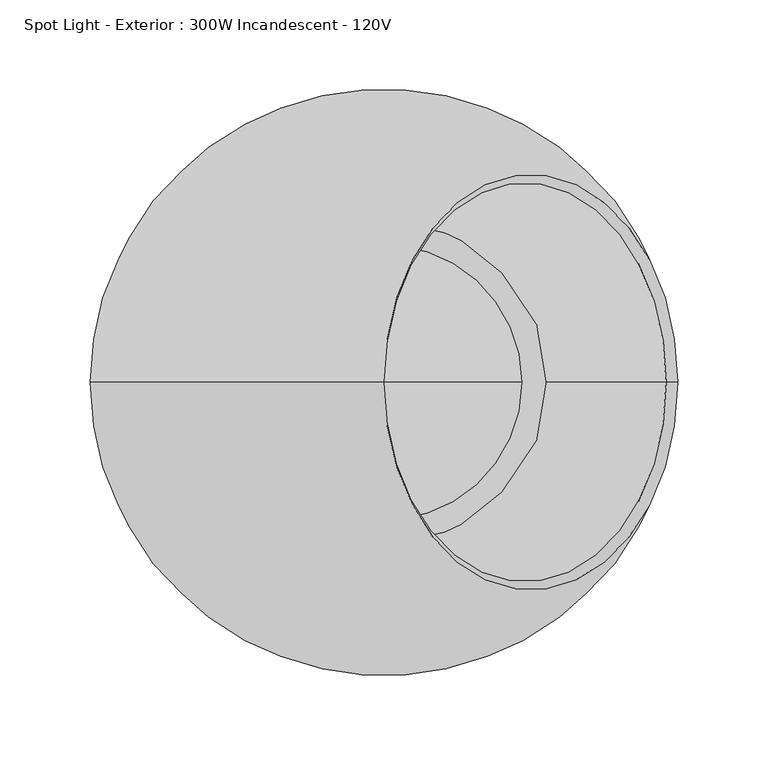
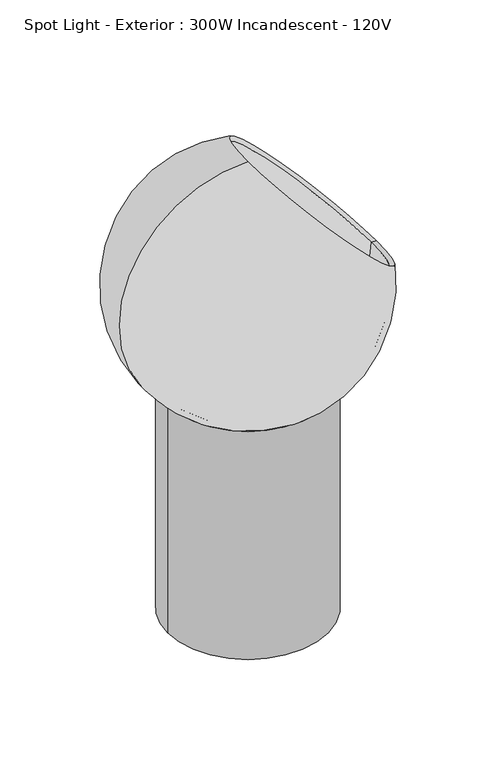
"""IFC4 building model written with IfcOpenShell, lengths in millimetres: light fixture geometry, Spot Light - Exterior : 300W Incandescent - 120V."""

from ifc_helpers import new_model, si_unit, point, frame, origin, origin_with_axes, origin_2d, place, context, project, spatial, polyline, circle_curve, ellipse_curve, trimmed, segment, composite_curve, outline, extrude, source, transform, mapped, element, save
from ifc_brep_helpers import revolved_surface, advanced_brep


def spot_light_exterior_300w_incandescent_120v_f33fc9a1(model_context):
    return source(origin(), model_context, "Body", "SolidModel", [
        advanced_brep(
        [(156.2893556, 0.0, 431.8), (-110.5132632, 0.0, 321.2867368), (0.0, 0.0, 588.0893556), (162.6393556, 0.0, 431.8), (0.0, 0.0, 594.4393556), (-115.0033913, 0.0, 316.7966087)],
        [
            (0, 1, circle_curve(frame((0.0, 0.0, 431.8), z_axis=(0.0, 1.0, 0.0), x_axis=(0.0, 0.0, 1.0000000000000002)), 156.2893556)),
            (1, 2, circle_curve(frame((0.0, 0.0, 431.8), z_axis=(0.0, 1.0, 0.0), x_axis=(1.0, 0.0, 0.0)), 156.2893556)),
            (2, 0, circle_curve(frame((78.1446778, 0.0, 509.9446778), z_axis=(0.7071067811865592, 0.0, 0.7071067811865359), x_axis=(-0.7071067811865359, 0.0, 0.7071067811865592)), 110.5132632)),
            (0, 2, circle_curve(frame((78.1446778, 0.0, 509.9446778), z_axis=(0.7071067811865592, 0.0, 0.7071067811865359), x_axis=(-0.7071067811865359, 0.0, 0.7071067811865592)), 110.5132632)),
            (3, 0),
            (2, 4),
            (4, 3, circle_curve(frame((81.3196778, 0.0, 513.1196778), z_axis=(0.7071067811865592, 0.0, 0.7071067811865359), x_axis=(-0.7071067811865359, 0.0, 0.7071067811865592)), 115.0033913)),
            (3, 4, circle_curve(frame((81.3196778, 0.0, 513.1196778), z_axis=(0.7071067811865592, 0.0, 0.7071067811865359), x_axis=(-0.7071067811865359, 0.0, 0.7071067811865592)), 115.0033913)),
            (5, 3, circle_curve(frame((0.0, 0.0, 431.8), z_axis=(0.0, -1.0, 0.0), x_axis=(0.0, 0.0, 1.0000000000000002)), 162.6393556)),
            (4, 5, circle_curve(frame((0.0, 0.0, 431.8), z_axis=(0.0, -1.0, 0.0), x_axis=(1.0, 0.0, 0.0)), 162.6393556)),
        ],
        [
            revolved_surface(trimmed(ellipse_curve(frame((0.0, 0.0, 431.8), z_axis=(0.0, 1.0, 0.0), x_axis=(1.0, 0.0, 0.0)), 156.2893556, 156.2893556), [point((-110.5132632, 0.0, 321.2867368))], [point((0.0, 0.0, 588.0893556))], True, "CARTESIAN"), (-115.0033913, 0.0, 316.7966087), (-0.7071067811865592, 0.0, -0.7071067811865359)),
            revolved_surface(polyline([(0.0, 0.0, 588.0893556), (0.0, 0.0, 594.4393556)]), (-115.0033913, 0.0, 316.7966087), (-0.7071067811865592, 0.0, -0.7071067811865359)),
            revolved_surface(trimmed(ellipse_curve(frame((0.0, 0.0, 431.8), z_axis=(0.0, -1.0, 0.0), x_axis=(1.0, 0.0, 0.0)), 162.6393556, 162.6393556), [point((0.0, 0.0, 594.4393556))], [point((-115.0033913, 0.0, 316.7966087))], True, "CARTESIAN"), (-115.0033913, 0.0, 316.7966087), (-0.7071067811865592, 0.0, -0.7071067811865359)),
        ],
        [
            (0, [[1, 2, 3]]),
            (0, [[-2, -1, 4]]),
            (1, [[5, -3, 6, 7]]),
            (1, [[-6, -4, -5, 8]]),
            (2, [[9, -7, 10]]),
            (2, [[-10, -8, -9]]),
        ],
    ),
        extrude(outline(composite_curve([segment(trimmed(circle_curve(origin_2d(), 101.6), [point((-101.6, 0.0))], [point((101.6, 0.0))], False, "CARTESIAN"), True, "CONTINUOUS"), segment(trimmed(circle_curve(origin_2d(), 101.6), [point((101.6, 0.0))], [point((-101.6, 0.0))], False, "CARTESIAN"), True, "CONTINUOUS")], self_intersect=False), holes=[composite_curve([segment(trimmed(circle_curve(origin_2d(), 76.2), [point((-76.2, 0.0))], [point((76.2, 0.0))], True, "CARTESIAN"), True, "CONTINUOUS"), segment(trimmed(circle_curve(origin_2d(), 76.2), [point((76.2, 0.0))], [point((-76.2, 0.0))], True, "CARTESIAN"), True, "CONTINUOUS")], self_intersect=False)]), origin_with_axes(), (0.0, 0.0, 1.0), 304.8),
    ])


if __name__ == "__main__":
    model = new_model("IFC4")
    model_context = context("Model", 3, world=origin())
    ifc_project = project(units=[si_unit("LENGTHUNIT", "METRE", prefix="MILLI")], contexts=[model_context])
    site = spatial("IfcSite", under=ifc_project)
    building = spatial("IfcBuilding", under=site)
    placement = place(None, origin())
    spot_light_exterior_300w_incandescent_120v_shape = spot_light_exterior_300w_incandescent_120v_f33fc9a1(model_context)
    element("IfcLightFixture", 1, ObjectType="Spot Light - Exterior : 300W Incandescent - 120V", at=placement, inside=building, context=model_context, shape_type="MappedRepresentation", body=[
        mapped(spot_light_exterior_300w_incandescent_120v_shape, transform((0.0, 0.0, 0.0), x_axis=(1.0, 0.0, 0.0), y_axis=(0.0, 1.0, 0.0), z_axis=(0.0, 0.0, 1.0))),
    ])
    save(model, "model.ifc")
